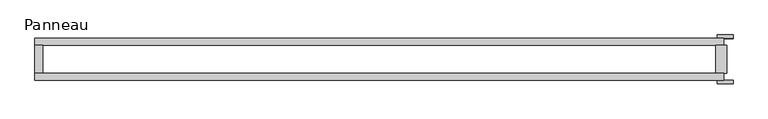
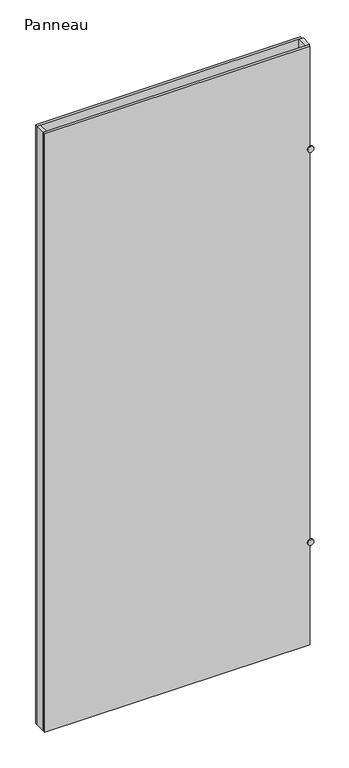
"""IFC4 building model written with IfcOpenShell, lengths in millimetres: plate geometry, Panneau."""

from ifc_helpers import new_model, si_unit, point, frame, frame_2d, origin, origin_with_axes, place, context, project, spatial, polyline, circle_curve, trimmed, segment, composite_curve, outline, extrude, source, transform, mapped, element, save


def panneau_5c13b44a(model_context):
    return source(origin(), model_context, "Body", "SweptSolid", [
        extrude(outline(polyline([(607.6249999, -37.2), (-613.6249999, -37.2), (-613.6249999, -25.2), (607.6249999, -25.2), (607.6249999, -37.2)])), origin_with_axes(), (0.0, 0.0, 1.0), 2915.0),
        extrude(outline(composite_curve([segment(trimmed(circle_curve(frame_2d((500.0, 610.6249999)), 14.0), [point((500.0, 596.6249999))], [point((500.0, 624.6249999))], False, "CARTESIAN"), True, "CONTINUOUS"), segment(trimmed(circle_curve(frame_2d((500.0, 610.6249999)), 14.0), [point((500.0, 624.6249999))], [point((500.0, 596.6249999))], False, "CARTESIAN"), True, "CONTINUOUS")], self_intersect=False)), frame((0.0, 37.2, 0.0), z_axis=(0.0, 1.0, 0.0), x_axis=(0.0, 0.0, 1.0)), (0.0, 0.0, 1.0), 6.0),
        extrude(outline(composite_curve([segment(trimmed(circle_curve(frame_2d((2415.0, 610.6249999)), 14.0), [point((2415.0, 596.6249999))], [point((2415.0, 624.6249999))], False, "CARTESIAN"), True, "CONTINUOUS"), segment(trimmed(circle_curve(frame_2d((2415.0, 610.6249999)), 14.0), [point((2415.0, 624.6249999))], [point((2415.0, 596.6249999))], False, "CARTESIAN"), True, "CONTINUOUS")], self_intersect=False)), frame((0.0, 37.2, 0.0), z_axis=(0.0, 1.0, 0.0), x_axis=(0.0, 0.0, 1.0)), (0.0, 0.0, 1.0), 6.0),
        extrude(outline(composite_curve([segment(trimmed(circle_curve(frame_2d((2415.0, 610.6249999)), 14.0), [point((2415.0, 596.6249999))], [point((2415.0, 624.6249999))], False, "CARTESIAN"), True, "CONTINUOUS"), segment(trimmed(circle_curve(frame_2d((2415.0, 610.6249999)), 14.0), [point((2415.0, 624.6249999))], [point((2415.0, 596.6249999))], False, "CARTESIAN"), True, "CONTINUOUS")], self_intersect=False)), frame((0.0, -43.2, 0.0), z_axis=(0.0, 1.0, 0.0), x_axis=(0.0, 0.0, 1.0)), (0.0, 0.0, 1.0), 6.0),
        extrude(outline(composite_curve([segment(trimmed(circle_curve(frame_2d((500.0, 610.6249999)), 14.0), [point((500.0, 596.6249999))], [point((500.0, 624.6249999))], False, "CARTESIAN"), True, "CONTINUOUS"), segment(trimmed(circle_curve(frame_2d((500.0, 610.6249999)), 14.0), [point((500.0, 624.6249999))], [point((500.0, 596.6249999))], False, "CARTESIAN"), True, "CONTINUOUS")], self_intersect=False)), frame((0.0, -43.2, 0.0), z_axis=(0.0, 1.0, 0.0), x_axis=(0.0, 0.0, 1.0)), (0.0, 0.0, 1.0), 6.0),
        extrude(outline(polyline([(-599.6249999, 25.2), (-599.6249999, -25.2), (-613.6249999, -25.2), (-613.6249999, 25.2), (-599.6249999, 25.2)])), origin_with_axes(), (0.0, 0.0, 1.0), 2915.0),
        extrude(outline(polyline([(613.6249999, 25.2), (613.6249999, -25.2), (593.6249999, -25.2), (593.6249999, 25.2), (613.6249999, 25.2)])), origin_with_axes(), (0.0, 0.0, 1.0), 2915.0),
        extrude(outline(polyline([(607.6249999, 25.2), (-613.6249999, 25.2), (-613.6249999, 37.2), (607.6249999, 37.2), (607.6249999, 25.2)])), origin_with_axes(), (0.0, 0.0, 1.0), 2915.0),
    ])


if __name__ == "__main__":
    model = new_model("IFC4")
    model_context = context("Model", 3, world=origin())
    ifc_project = project(units=[si_unit("LENGTHUNIT", "METRE", prefix="MILLI")], contexts=[model_context])
    site = spatial("IfcSite", under=ifc_project)
    building = spatial("IfcBuilding", under=site)
    placement = place(None, origin())
    panneau_shape = panneau_5c13b44a(model_context)
    element("IfcPlate", 1, ObjectType="Panneau", at=placement, inside=building, context=model_context, shape_type="MappedRepresentation", body=[
        mapped(panneau_shape, transform((0.0, 0.0, 0.0), x_axis=(1.0, 0.0, 0.0), y_axis=(0.0, 1.0, 0.0), z_axis=(0.0, 0.0, 1.0))),
    ])
    save(model, "model.ifc")
